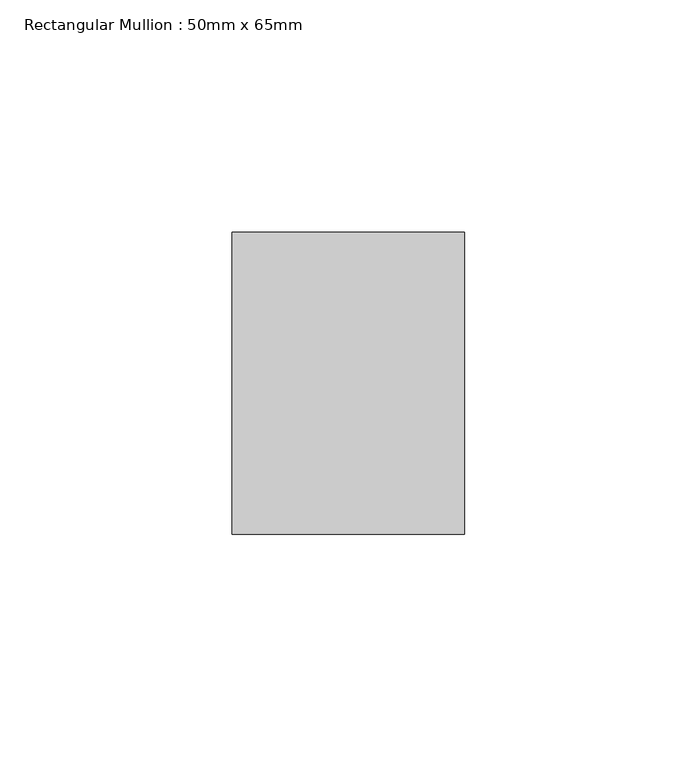
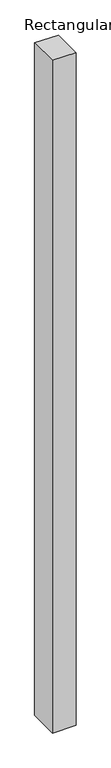
"""IFC4 building model written with IfcOpenShell, lengths in millimetres: member geometry, Rectangular Mullion : 50mm x 65mm."""

from ifc_helpers import new_model, si_unit, origin, place, context, project, spatial, faceted_brep, source, transform, mapped, element, save


def rectangular_mullion_50mm_x_65mm_cdb705d7(model_context):
    return source(origin(), model_context, "Body", "Brep", [
        faceted_brep([(-25.0, 32.5, -0.1835716), (25.0, 32.5, -0.1835723), (25.0, 32.5, -1499.7335559), (-25.0, 32.5, -1499.7335571), (-25.0, -32.5, 0.1835723), (-25.0, -32.5, -1500.2664523), (25.0, -32.5, 0.1835716), (25.0, -32.5, -1500.2664511)], [[[0, 1, 2, 3]], [[4, 0, 3, 5]], [[6, 4, 5, 7]], [[1, 6, 7, 2]], [[1, 0, 4, 6]], [[2, 7, 5, 3]]]),
    ])


if __name__ == "__main__":
    model = new_model("IFC4")
    model_context = context("Model", 3, world=origin())
    ifc_project = project(units=[si_unit("LENGTHUNIT", "METRE", prefix="MILLI")], contexts=[model_context])
    site = spatial("IfcSite", under=ifc_project)
    building = spatial("IfcBuilding", under=site)
    placement = place(None, origin())
    rectangular_mullion_50mm_x_65mm_shape = rectangular_mullion_50mm_x_65mm_cdb705d7(model_context)
    element("IfcMember", 1, ObjectType="Rectangular Mullion : 50mm x 65mm", at=placement, inside=building, context=model_context, shape_type="MappedRepresentation", body=[
        mapped(rectangular_mullion_50mm_x_65mm_shape, transform((0.0, 0.0, 0.0), x_axis=(1.0, 0.0, 0.0), y_axis=(0.0, 1.0, 0.0), z_axis=(0.0, 0.0, 1.0))),
    ])
    save(model, "model.ifc")
